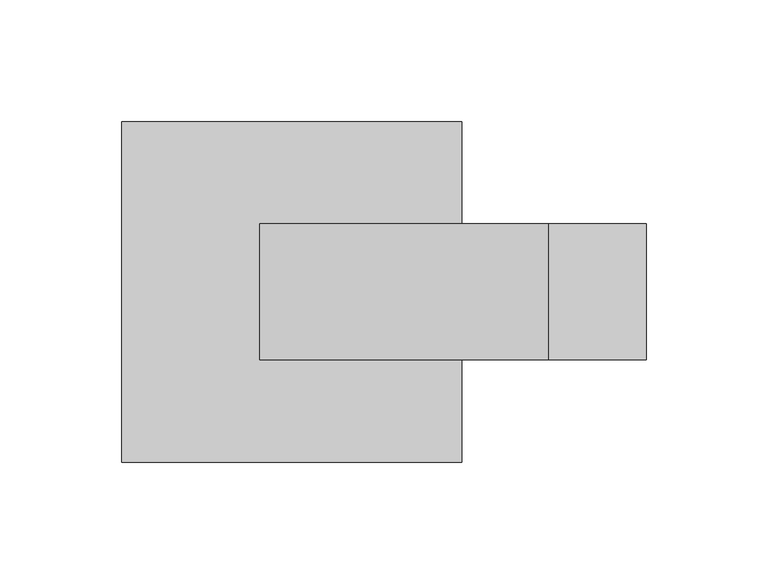
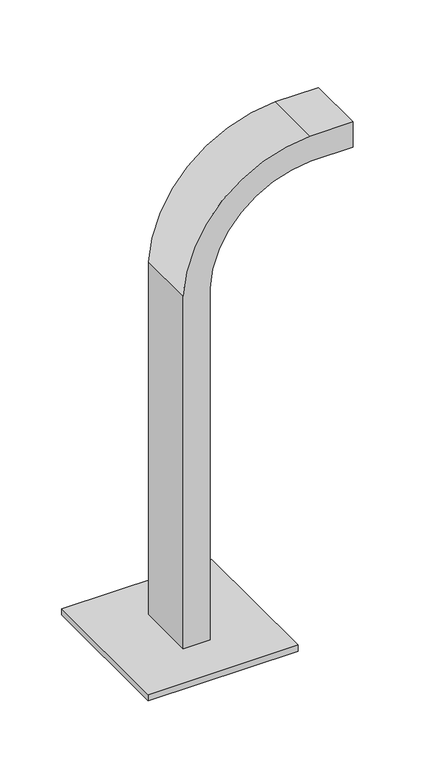
"""IFC4 building model written with IfcOpenShell, lengths in millimetres: furniture geometry."""

from ifc_helpers import new_model, si_unit, point, frame, frame_2d, origin, origin_with_axes, place, context, project, spatial, polyline, circle_curve, trimmed, segment, composite_curve, outline, extrude, source, transform, mapped, element, save


def furniture_9850bb75(model_context):
    return source(origin(), model_context, "Body", "SweptSolid", [
        extrude(outline(composite_curve([segment(trimmed(circle_curve(frame_2d((353.0696692, -410.1651072)), 98.0547414), [point((358.7575366, -508.0547414))], [point((451.0547414, -413.8607731))], True, "CARTESIAN"), True, "CONTINUOUS"), segment(polyline([(451.0547414, -413.8607731), (451.0547414, -374.0794885), (476.0547414, -374.0794885), (476.0547414, -414.3053257)]), True, "CONTINUOUS"), segment(trimmed(circle_curve(frame_2d((353.0696692, -410.1651072)), 123.0547414), [point((476.0547414, -414.3053257))], [point((359.4420469, -533.0547414))], False, "CARTESIAN"), True, "CONTINUOUS"), segment(polyline([(359.4420469, -533.0547414), (11.0, -533.0547414), (11.0, -508.0547414), (358.7575366, -508.0547414)]), True, "CONTINUOUS")], self_intersect=False)), frame((0.0, -27.920928, 0.0), z_axis=(0.0, 1.0, 0.0), x_axis=(0.0, 0.0, 1.0)), (0.0, 0.0, 1.0), 55.8418559),
        extrude(outline(composite_curve([segment(trimmed(circle_curve(frame_2d((-578.0500045, 58.0314537)), 5.0), [point((-583.0500045, 58.0314537))], [point((-573.0500045, 58.0314537))], False, "CARTESIAN"), True, "CONTINUOUS"), segment(trimmed(circle_curve(frame_2d((-578.0500045, 58.0314537)), 5.0), [point((-573.0500045, 58.0314537))], [point((-583.0500045, 58.0314537))], False, "CARTESIAN"), True, "CONTINUOUS")], self_intersect=False)), origin_with_axes(), (0.0, 0.0, 1.0), 5.0),
        extrude(outline(composite_curve([segment(trimmed(circle_curve(frame_2d((-461.9499955, 58.0314537)), 5.0), [point((-466.9499955, 58.0314537))], [point((-456.9499955, 58.0314537))], False, "CARTESIAN"), True, "CONTINUOUS"), segment(trimmed(circle_curve(frame_2d((-461.9499955, 58.0314537)), 5.0), [point((-456.9499955, 58.0314537))], [point((-466.9499955, 58.0314537))], False, "CARTESIAN"), True, "CONTINUOUS")], self_intersect=False)), origin_with_axes(), (0.0, 0.0, 1.0), 5.0),
        extrude(outline(composite_curve([segment(trimmed(circle_curve(frame_2d((-578.0500045, -58.0314537)), 5.0), [point((-583.0500045, -58.0314537))], [point((-573.0500045, -58.0314537))], False, "CARTESIAN"), True, "CONTINUOUS"), segment(trimmed(circle_curve(frame_2d((-578.0500045, -58.0314537)), 5.0), [point((-573.0500045, -58.0314537))], [point((-583.0500045, -58.0314537))], False, "CARTESIAN"), True, "CONTINUOUS")], self_intersect=False)), origin_with_axes(), (0.0, 0.0, 1.0), 5.0),
        extrude(outline(composite_curve([segment(trimmed(circle_curve(frame_2d((-461.9499955, -58.0314537)), 5.0), [point((-466.9499955, -58.0314537))], [point((-456.9499955, -58.0314537))], False, "CARTESIAN"), True, "CONTINUOUS"), segment(trimmed(circle_curve(frame_2d((-461.9499955, -58.0314537)), 5.0), [point((-456.9499955, -58.0314537))], [point((-466.9499955, -58.0314537))], False, "CARTESIAN"), True, "CONTINUOUS")], self_intersect=False)), origin_with_axes(), (0.0, 0.0, 1.0), 5.0),
        extrude(outline(polyline([(-450.0, 70.0), (-450.0, -70.0), (-590.0, -70.0), (-590.0, 70.0), (-450.0, 70.0)])), frame((0.0, 0.0, 5.0), z_axis=(0.0, 0.0, 1.0), x_axis=(1.0, 0.0, 0.0)), (0.0, 0.0, 1.0), 6.0),
    ])


if __name__ == "__main__":
    model = new_model("IFC4")
    model_context = context("Model", 3, world=origin())
    ifc_project = project(units=[si_unit("LENGTHUNIT", "METRE", prefix="MILLI")], contexts=[model_context])
    site = spatial("IfcSite", under=ifc_project)
    building = spatial("IfcBuilding", under=site)
    placement = place(None, origin())
    furniture_shape = furniture_9850bb75(model_context)
    element("IfcFurniture", 1, at=placement, inside=building, context=model_context, shape_type="MappedRepresentation", body=[
        mapped(furniture_shape, transform((0.0, 0.0, 0.0), x_axis=(1.0, 0.0, 0.0), y_axis=(0.0, 1.0, 0.0), z_axis=(0.0, 0.0, 1.0))),
    ])
    save(model, "model.ifc")
